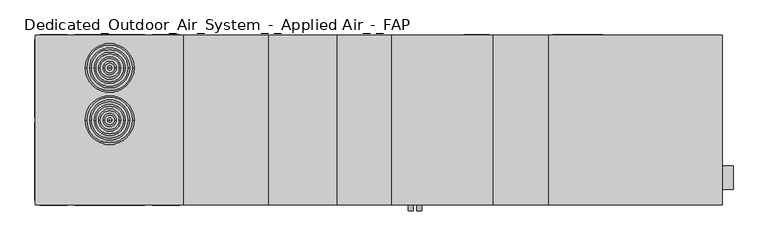
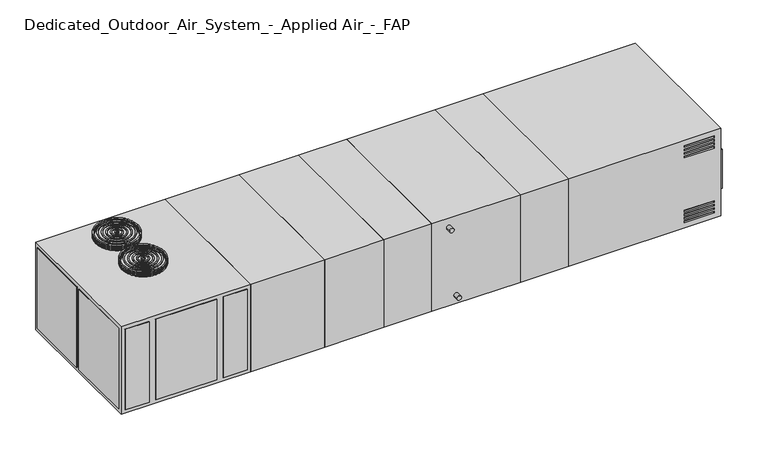
"""IFC4 building model written with IfcOpenShell, lengths in millimetres: proxy geometry, Dedicated_Outdoor_Air_System_-_Applied Air_-_FAP."""

from ifc_helpers import new_model, si_unit, point, frame, frame_2d, origin, origin_with_axes, place, context, project, spatial, polyline, circle_curve, ellipse_curve, trimmed, segment, composite_curve, outline, extrude, faceted_brep, source, transform, mapped, element, save
from ifc_brep_helpers import revolved_surface, advanced_brep


def dedicated_outdoor_air_system_applied_air_fap_6e4f6a05(model_context):
    return source(origin(), model_context, "Body", "SolidModel", [
        faceted_brep([(-660.4, -1016.0, 1270.0), (-660.4, 1016.0, 1270.0), (-1473.2, 1016.0, 1270.0), (-1473.2, -1016.0, 1270.0), (-660.4, -1016.0, 0.0), (-1473.2, -1016.0, 0.0), (-1473.2, 1016.0, 0.0), (-660.4, 1016.0, 0.0), (-1295.4, -863.6, 0.0), (-787.4, -863.6, 0.0), (-787.4, 863.6, 0.0), (-1295.4, 863.6, 0.0), (-1295.4, -863.6, 152.4), (-1295.4, 863.6, 152.4), (-787.4, 863.6, 152.4), (-787.4, -863.6, 152.4)], [[[0, 1, 2, 3]], [[4, 5, 6, 7], [8, 9, 10, 11]], [[1, 0, 4, 7]], [[2, 1, 7, 6]], [[3, 2, 6, 5]], [[0, 3, 5, 4]], [[12, 13, 14, 15]], [[12, 15, 9, 8]], [[15, 14, 10, 9]], [[14, 13, 11, 10]], [[13, 12, 8, 11]]]),
        faceted_brep([(3962.4, -1016.0, 1270.0), (3962.4, 1016.0, 1270.0), (1879.6, 1016.0, 1270.0), (1879.6, -1016.0, 1270.0), (3962.4, -1016.0, 0.0), (1879.6, -1016.0, 0.0), (1879.6, 1016.0, 0.0), (3962.4, 1016.0, 0.0), (3357.5625, 804.8625, 0.0), (3357.5625, -363.5375, 0.0), (3884.6125, -363.5375, 0.0), (3884.6125, 804.8625, 0.0), (3962.4, 804.8625, 698.5), (3962.4, 804.8625, 171.45), (3962.4, -363.5375, 171.45), (3962.4, -363.5375, 698.5), (3463.4714286, -1016.0, 1193.8), (3873.5, -1016.0, 1193.8), (3873.5, -1016.0, 1168.4), (3463.4714286, -1016.0, 1168.4), (3463.4714286, -1016.0, 1143.0), (3873.5, -1016.0, 1143.0), (3873.5, -1016.0, 1117.6), (3463.4714286, -1016.0, 1117.6), (3463.4714286, -1016.0, 1092.2), (3873.5, -1016.0, 1092.2), (3873.5, -1016.0, 1066.8), (3463.4714286, -1016.0, 1066.8), (3463.4714286, -1016.0, 1041.4), (3873.5, -1016.0, 1041.4), (3873.5, -1016.0, 1016.0), (3463.4714286, -1016.0, 1016.0), (3873.5, -1016.0, 101.6), (3873.5, -1016.0, 76.2), (3463.4714286, -1016.0, 76.2), (3463.4714286, -1016.0, 101.6), (3873.5, -1016.0, 152.4), (3873.5, -1016.0, 127.0), (3463.4714286, -1016.0, 127.0), (3463.4714286, -1016.0, 152.4), (3873.5, -1016.0, 203.2), (3873.5, -1016.0, 177.8), (3463.4714286, -1016.0, 177.8), (3463.4714286, -1016.0, 203.2), (3873.5, -1016.0, 254.0), (3873.5, -1016.0, 228.6), (3463.4714286, -1016.0, 228.6), (3463.4714286, -1016.0, 254.0), (3873.5, -990.6, 1193.8), (3463.4714286, -990.6, 1193.8), (3463.4714286, -990.6, 1168.4), (3873.5, -990.6, 1168.4), (3873.5, -990.6, 1143.0), (3463.4714286, -990.6, 1143.0), (3463.4714286, -990.6, 1117.6), (3873.5, -990.6, 1117.6), (3873.5, -990.6, 1092.2), (3463.4714286, -990.6, 1092.2), (3463.4714286, -990.6, 1066.8), (3873.5, -990.6, 1066.8), (3873.5, -990.6, 1041.4), (3463.4714286, -990.6, 1041.4), (3463.4714286, -990.6, 1016.0), (3873.5, -990.6, 1016.0), (3873.5, -990.6, 76.2), (3873.5, -990.6, 101.6), (3463.4714286, -990.6, 101.6), (3463.4714286, -990.6, 76.2), (3873.5, -990.6, 127.0), (3873.5, -990.6, 152.4), (3463.4714286, -990.6, 152.4), (3463.4714286, -990.6, 127.0), (3873.5, -990.6, 177.8), (3873.5, -990.6, 203.2), (3463.4714286, -990.6, 203.2), (3463.4714286, -990.6, 177.8), (3873.5, -990.6, 228.6), (3873.5, -990.6, 254.0), (3463.4714286, -990.6, 254.0), (3463.4714286, -990.6, 228.6), (3810.0, 804.8625, 171.45), (3810.0, 804.8625, 698.5), (3810.0, -363.5375, 698.5), (3810.0, -363.5375, 171.45), (3357.5625, 804.8625, 152.4), (3884.6125, 804.8625, 152.4), (3884.6125, -363.5375, 152.4), (3357.5625, -363.5375, 152.4)], [[[0, 1, 2, 3]], [[4, 5, 6, 7], [8, 9, 10, 11]], [[1, 0, 4, 7], [12, 13, 14, 15]], [[2, 1, 7, 6]], [[3, 2, 6, 5]], [[0, 3, 5, 4], [16, 17, 18, 19], [20, 21, 22, 23], [24, 25, 26, 27], [28, 29, 30, 31], [32, 33, 34, 35], [36, 37, 38, 39], [40, 41, 42, 43], [44, 45, 46, 47]], [[48, 49, 50, 51]], [[52, 53, 54, 55]], [[56, 57, 58, 59]], [[60, 61, 62, 63]], [[64, 65, 66, 67]], [[68, 69, 70, 71]], [[72, 73, 74, 75]], [[76, 77, 78, 79]], [[49, 48, 17, 16]], [[50, 49, 16, 19]], [[51, 50, 19, 18]], [[48, 51, 18, 17]], [[53, 52, 21, 20]], [[54, 53, 20, 23]], [[55, 54, 23, 22]], [[52, 55, 22, 21]], [[57, 56, 25, 24]], [[58, 57, 24, 27]], [[59, 58, 27, 26]], [[56, 59, 26, 25]], [[61, 60, 29, 28]], [[62, 61, 28, 31]], [[63, 62, 31, 30]], [[60, 63, 30, 29]], [[65, 64, 33, 32]], [[66, 65, 32, 35]], [[67, 66, 35, 34]], [[64, 67, 34, 33]], [[69, 68, 37, 36]], [[70, 69, 36, 39]], [[71, 70, 39, 38]], [[68, 71, 38, 37]], [[73, 72, 41, 40]], [[74, 73, 40, 43]], [[75, 74, 43, 42]], [[72, 75, 42, 41]], [[77, 76, 45, 44]], [[78, 77, 44, 47]], [[79, 78, 47, 46]], [[76, 79, 46, 45]], [[80, 81, 82, 83]], [[81, 80, 13, 12]], [[82, 81, 12, 15]], [[83, 82, 15, 14]], [[80, 83, 14, 13]], [[84, 85, 86, 87]], [[84, 87, 9, 8]], [[87, 86, 10, 9]], [[86, 85, 11, 10]], [[85, 84, 8, 11]]]),
        extrude(outline(polyline([(1879.6, 1016.0), (1879.6, -1016.0), (1219.2, -1016.0), (1219.2, 1016.0), (1879.6, 1016.0)])), origin_with_axes(), (0.0, 0.0, 1.0), 1270.0),
        extrude(outline(polyline([(1219.2, -1016.0), (0.0, -1016.0), (0.0, 1016.0), (1219.2, 1016.0), (1219.2, -1016.0)])), origin_with_axes(), (0.0, 0.0, 1.0), 1270.0),
        extrude(outline(polyline([(0.0, 1016.0), (0.0, -1016.0), (-660.4, -1016.0), (-660.4, 1016.0), (0.0, 1016.0)])), origin_with_axes(), (0.0, 0.0, 1.0), 1270.0),
        extrude(outline(polyline([(-1473.2, -1016.0), (-2489.2, -1016.0), (-2489.2, 1016.0), (-1473.2, 1016.0), (-1473.2, -1016.0)])), origin_with_axes(), (0.0, 0.0, 1.0), 1270.0),
        extrude(outline(polyline([(-2489.2, 1016.0), (-2489.2, -1016.0), (-4267.2, -1016.0), (-4267.2, 1016.0), (-2489.2, 1016.0)])), origin_with_axes(), (0.0, 0.0, 1.0), 1270.0),
        extrude(outline(polyline([(-4273.55, -965.2), (-4273.55, -25.4), (-4267.2, -25.4), (-4267.2, -965.2), (-4273.55, -965.2)])), frame((0.0, 0.0, 50.8), z_axis=(0.0, 0.0, 1.0), x_axis=(1.0, 0.0, 0.0)), (0.0, 0.0, 1.0), 1168.4),
        extrude(outline(polyline([(-4273.55, 25.4), (-4273.55, 965.2), (-4267.2, 965.2), (-4267.2, 25.4), (-4273.55, 25.4)])), frame((0.0, 0.0, 50.8), z_axis=(0.0, 0.0, 1.0), x_axis=(1.0, 0.0, 0.0)), (0.0, 0.0, 1.0), 1168.4),
        extrude(outline(polyline([(-3886.2, 1016.0), (-4216.4, 1016.0), (-4216.4, 1022.35), (-3886.2, 1022.35), (-3886.2, 1016.0)])), frame((0.0, 0.0, 50.8), z_axis=(0.0, 0.0, 1.0), x_axis=(1.0, 0.0, 0.0)), (0.0, 0.0, 1.0), 1168.4),
        extrude(outline(polyline([(-2540.0, 1016.0), (-2870.2, 1016.0), (-2870.2, 1022.35), (-2540.0, 1022.35), (-2540.0, 1016.0)])), frame((0.0, 0.0, 50.8), z_axis=(0.0, 0.0, 1.0), x_axis=(1.0, 0.0, 0.0)), (0.0, 0.0, 1.0), 1168.4),
        extrude(outline(polyline([(-2959.1, 1016.0), (-3797.3, 1016.0), (-3797.3, 1022.35), (-2959.1, 1022.35), (-2959.1, 1016.0)])), frame((0.0, 0.0, 50.8), z_axis=(0.0, 0.0, 1.0), x_axis=(1.0, 0.0, 0.0)), (0.0, 0.0, 1.0), 1168.4),
        extrude(outline(polyline([(-4216.4, -1016.0), (-3886.2, -1016.0), (-3886.2, -1022.35), (-4216.4, -1022.35), (-4216.4, -1016.0)])), frame((0.0, 0.0, 50.8), z_axis=(0.0, 0.0, 1.0), x_axis=(1.0, 0.0, 0.0)), (0.0, 0.0, 1.0), 1168.4),
        extrude(outline(polyline([(-2870.2, -1016.0), (-2540.0, -1016.0), (-2540.0, -1022.35), (-2870.2, -1022.35), (-2870.2, -1016.0)])), frame((0.0, 0.0, 50.8), z_axis=(0.0, 0.0, 1.0), x_axis=(1.0, 0.0, 0.0)), (0.0, 0.0, 1.0), 1168.4),
        extrude(outline(polyline([(-3797.3, -1016.0), (-2959.1, -1016.0), (-2959.1, -1022.35), (-3797.3, -1022.35), (-3797.3, -1016.0)])), frame((0.0, 0.0, 50.8), z_axis=(0.0, 0.0, 1.0), x_axis=(1.0, 0.0, 0.0)), (0.0, 0.0, 1.0), 1168.4),
        advanced_brep(
        [(-3654.425, 625.2307692, 1277.9375), (-3101.975, 625.2307692, 1277.9375), (-3086.1, 625.2307692, 1277.9375), (-3670.3, 625.2307692, 1277.9375)],
        [
            (0, 1, circle_curve(frame((-3378.2, 625.2307692, 1277.9375), z_axis=(0.0, 0.0, 1.0), x_axis=(1.0, 0.0, 0.0)), 276.225)),
            (1, 2, circle_curve(frame((-3094.0375, 625.2307692, 1277.9375), z_axis=(0.0, -1.0, 0.0), x_axis=(1.0, 0.0, 0.0)), 7.9375)),
            (2, 3, circle_curve(frame((-3378.2, 625.2307692, 1277.9375), z_axis=(0.0, 0.0, -1.0), x_axis=(1.0, 0.0, 0.0)), 292.1)),
            (3, 0, circle_curve(frame((-3662.3625, 625.2307692, 1277.9375), z_axis=(0.0, -1.0, 0.0), x_axis=(-1.0, 0.0, 0.0)), 7.9375)),
            (1, 0, circle_curve(frame((-3378.2, 625.2307692, 1277.9375), z_axis=(0.0, 0.0, 1.0), x_axis=(1.0, 0.0, 0.0)), 276.225)),
            (3, 2, circle_curve(frame((-3378.2, 625.2307692, 1277.9375), z_axis=(0.0, 0.0, -1.0), x_axis=(1.0, 0.0, 0.0)), 292.1)),
            (2, 1, circle_curve(frame((-3094.0375, 625.2307692, 1277.9375), z_axis=(0.0, -1.0, 0.0), x_axis=(1.0, 0.0, 0.0)), 7.9375)),
            (0, 3, circle_curve(frame((-3662.3625, 625.2307692, 1277.9375), z_axis=(0.0, -1.0, 0.0), x_axis=(-1.0, 0.0, 0.0)), 7.9375)),
        ],
        [
            revolved_surface(trimmed(ellipse_curve(frame((-3094.0375, 625.2307692, 1277.9375), z_axis=(0.0, 1.0, 0.0), x_axis=(1.0, 0.0, 0.0)), 7.9375, 7.9375), [point((-3086.1, 625.2307692, 1277.9375))], [point((-3101.975, 625.2307692, 1277.9375))], True, "CARTESIAN"), (-3378.2, 625.2307692, 1416.05), (0.0, 0.0, -1.0)),
            revolved_surface(trimmed(ellipse_curve(frame((-3094.0375, 625.2307692, 1277.9375), z_axis=(0.0, 1.0, 0.0), x_axis=(1.0, 0.0, 0.0)), 7.9375, 7.9375), [point((-3101.975, 625.2307692, 1277.9375))], [point((-3086.1, 625.2307692, 1277.9375))], True, "CARTESIAN"), (-3378.2, 625.2307692, 1416.05), (0.0, 0.0, -1.0)),
        ],
        [
            (0, [[1, 2, 3, 4]]),
            (0, [[5, -4, 6, -2]]),
            (1, [[-3, 7, -1, 8]]),
            (1, [[-6, -8, -5, -7]]),
        ],
    ),
        advanced_brep(
        [(-3654.425, 625.2307692, 1338.2625), (-3101.975, 625.2307692, 1338.2625), (-3086.1, 625.2307692, 1338.2625), (-3670.3, 625.2307692, 1338.2625)],
        [
            (0, 1, circle_curve(frame((-3378.2, 625.2307692, 1338.2625), z_axis=(0.0, 0.0, 1.0), x_axis=(1.0, 0.0, 0.0)), 276.225)),
            (1, 2, circle_curve(frame((-3094.0375, 625.2307692, 1338.2625), z_axis=(0.0, -1.0, 0.0), x_axis=(1.0, 0.0, 0.0)), 7.9375)),
            (2, 3, circle_curve(frame((-3378.2, 625.2307692, 1338.2625), z_axis=(0.0, 0.0, -1.0), x_axis=(1.0, 0.0, 0.0)), 292.1)),
            (3, 0, circle_curve(frame((-3662.3625, 625.2307692, 1338.2625), z_axis=(0.0, -1.0, 0.0), x_axis=(-1.0, 0.0, 0.0)), 7.9375)),
            (1, 0, circle_curve(frame((-3378.2, 625.2307692, 1338.2625), z_axis=(0.0, 0.0, 1.0), x_axis=(1.0, 0.0, 0.0)), 276.225)),
            (3, 2, circle_curve(frame((-3378.2, 625.2307692, 1338.2625), z_axis=(0.0, 0.0, -1.0), x_axis=(1.0, 0.0, 0.0)), 292.1)),
            (2, 1, circle_curve(frame((-3094.0375, 625.2307692, 1338.2625), z_axis=(0.0, -1.0, 0.0), x_axis=(1.0, 0.0, 0.0)), 7.9375)),
            (0, 3, circle_curve(frame((-3662.3625, 625.2307692, 1338.2625), z_axis=(0.0, -1.0, 0.0), x_axis=(-1.0, 0.0, 0.0)), 7.9375)),
        ],
        [
            revolved_surface(trimmed(ellipse_curve(frame((-3094.0375, 625.2307692, 1338.2625), z_axis=(0.0, 1.0, 0.0), x_axis=(1.0, 0.0, 0.0)), 7.9375, 7.9375), [point((-3086.1, 625.2307692, 1338.2625))], [point((-3101.975, 625.2307692, 1338.2625))], True, "CARTESIAN"), (-3378.2, 625.2307692, 1416.05), (0.0, 0.0, -1.0)),
            revolved_surface(trimmed(ellipse_curve(frame((-3094.0375, 625.2307692, 1338.2625), z_axis=(0.0, 1.0, 0.0), x_axis=(1.0, 0.0, 0.0)), 7.9375, 7.9375), [point((-3101.975, 625.2307692, 1338.2625))], [point((-3086.1, 625.2307692, 1338.2625))], True, "CARTESIAN"), (-3378.2, 625.2307692, 1416.05), (0.0, 0.0, -1.0)),
        ],
        [
            (0, [[1, 2, 3, 4]]),
            (0, [[5, -4, 6, -2]]),
            (1, [[-3, 7, -1, 8]]),
            (1, [[-6, -8, -5, -7]]),
        ],
    ),
        advanced_brep(
        [(-3654.425, 625.2307692, 1298.0750755), (-3101.975, 625.2307692, 1298.0750755), (-3086.1, 625.2307692, 1298.0750755), (-3670.3, 625.2307692, 1298.0750755)],
        [
            (0, 1, circle_curve(frame((-3378.2, 625.2307692, 1298.0750755), z_axis=(0.0, 0.0, 1.0), x_axis=(1.0, 0.0, 0.0)), 276.225)),
            (1, 2, circle_curve(frame((-3094.0375, 625.2307692, 1298.0750755), z_axis=(0.0, -1.0, 0.0), x_axis=(1.0, 0.0, 0.0)), 7.9375)),
            (2, 3, circle_curve(frame((-3378.2, 625.2307692, 1298.0750755), z_axis=(0.0, 0.0, -1.0), x_axis=(1.0, 0.0, 0.0)), 292.1)),
            (3, 0, circle_curve(frame((-3662.3625, 625.2307692, 1298.0750755), z_axis=(0.0, -1.0, 0.0), x_axis=(-1.0, 0.0, 0.0)), 7.9375)),
            (1, 0, circle_curve(frame((-3378.2, 625.2307692, 1298.0750755), z_axis=(0.0, 0.0, 1.0), x_axis=(1.0, 0.0, 0.0)), 276.225)),
            (3, 2, circle_curve(frame((-3378.2, 625.2307692, 1298.0750755), z_axis=(0.0, 0.0, -1.0), x_axis=(1.0, 0.0, 0.0)), 292.1)),
            (2, 1, circle_curve(frame((-3094.0375, 625.2307692, 1298.0750755), z_axis=(0.0, -1.0, 0.0), x_axis=(1.0, 0.0, 0.0)), 7.9375)),
            (0, 3, circle_curve(frame((-3662.3625, 625.2307692, 1298.0750755), z_axis=(0.0, -1.0, 0.0), x_axis=(-1.0, 0.0, 0.0)), 7.9375)),
        ],
        [
            revolved_surface(trimmed(ellipse_curve(frame((-3094.0375, 625.2307692, 1298.0750755), z_axis=(0.0, 1.0, 0.0), x_axis=(1.0, 0.0, 0.0)), 7.9375, 7.9375), [point((-3086.1, 625.2307692, 1298.0750755))], [point((-3101.975, 625.2307692, 1298.0750755))], True, "CARTESIAN"), (-3378.2, 625.2307692, 1416.05), (0.0, 0.0, -1.0)),
            revolved_surface(trimmed(ellipse_curve(frame((-3094.0375, 625.2307692, 1298.0750755), z_axis=(0.0, 1.0, 0.0), x_axis=(1.0, 0.0, 0.0)), 7.9375, 7.9375), [point((-3101.975, 625.2307692, 1298.0750755))], [point((-3086.1, 625.2307692, 1298.0750755))], True, "CARTESIAN"), (-3378.2, 625.2307692, 1416.05), (0.0, 0.0, -1.0)),
        ],
        [
            (0, [[1, 2, 3, 4]]),
            (0, [[5, -4, 6, -2]]),
            (1, [[-3, 7, -1, 8]]),
            (1, [[-6, -8, -5, -7]]),
        ],
    ),
        advanced_brep(
        [(-3654.425, 625.2307692, 1318.1249245), (-3101.975, 625.2307692, 1318.1249245), (-3086.1, 625.2307692, 1318.1249245), (-3670.3, 625.2307692, 1318.1249245)],
        [
            (0, 1, circle_curve(frame((-3378.2, 625.2307692, 1318.1249245), z_axis=(0.0, 0.0, 1.0), x_axis=(1.0, 0.0, 0.0)), 276.225)),
            (1, 2, circle_curve(frame((-3094.0375, 625.2307692, 1318.1249245), z_axis=(0.0, -1.0, 0.0), x_axis=(1.0, 0.0, 0.0)), 7.9375)),
            (2, 3, circle_curve(frame((-3378.2, 625.2307692, 1318.1249245), z_axis=(0.0, 0.0, -1.0), x_axis=(1.0, 0.0, 0.0)), 292.1)),
            (3, 0, circle_curve(frame((-3662.3625, 625.2307692, 1318.1249245), z_axis=(0.0, -1.0, 0.0), x_axis=(-1.0, 0.0, 0.0)), 7.9375)),
            (1, 0, circle_curve(frame((-3378.2, 625.2307692, 1318.1249245), z_axis=(0.0, 0.0, 1.0), x_axis=(1.0, 0.0, 0.0)), 276.225)),
            (3, 2, circle_curve(frame((-3378.2, 625.2307692, 1318.1249245), z_axis=(0.0, 0.0, -1.0), x_axis=(1.0, 0.0, 0.0)), 292.1)),
            (2, 1, circle_curve(frame((-3094.0375, 625.2307692, 1318.1249245), z_axis=(0.0, -1.0, 0.0), x_axis=(1.0, 0.0, 0.0)), 7.9375)),
            (0, 3, circle_curve(frame((-3662.3625, 625.2307692, 1318.1249245), z_axis=(0.0, -1.0, 0.0), x_axis=(-1.0, 0.0, 0.0)), 7.9375)),
        ],
        [
            revolved_surface(trimmed(ellipse_curve(frame((-3094.0375, 625.2307692, 1318.1249245), z_axis=(0.0, 1.0, 0.0), x_axis=(1.0, 0.0, 0.0)), 7.9375, 7.9375), [point((-3086.1, 625.2307692, 1318.1249245))], [point((-3101.975, 625.2307692, 1318.1249245))], True, "CARTESIAN"), (-3378.2, 625.2307692, 1416.05), (0.0, 0.0, -1.0)),
            revolved_surface(trimmed(ellipse_curve(frame((-3094.0375, 625.2307692, 1318.1249245), z_axis=(0.0, 1.0, 0.0), x_axis=(1.0, 0.0, 0.0)), 7.9375, 7.9375), [point((-3101.975, 625.2307692, 1318.1249245))], [point((-3086.1, 625.2307692, 1318.1249245))], True, "CARTESIAN"), (-3378.2, 625.2307692, 1416.05), (0.0, 0.0, -1.0)),
        ],
        [
            (0, [[1, 2, 3, 4]]),
            (0, [[5, -4, 6, -2]]),
            (1, [[-3, 7, -1, 8]]),
            (1, [[-6, -8, -5, -7]]),
        ],
    ),
        advanced_brep(
        [(-3387.725, 625.2307692, 1338.2625), (-3368.675, 625.2307692, 1338.2625), (-3352.8, 625.2307692, 1338.2625), (-3403.6, 625.2307692, 1338.2625)],
        [
            (0, 1, circle_curve(frame((-3378.2, 625.2307692, 1338.2625), z_axis=(0.0, 0.0, 1.0), x_axis=(1.0, 0.0, 0.0)), 9.525)),
            (1, 2, circle_curve(frame((-3360.7375, 625.2307692, 1338.2625), z_axis=(0.0, -1.0, 0.0), x_axis=(1.0, 0.0, 0.0)), 7.9375)),
            (2, 3, circle_curve(frame((-3378.2, 625.2307692, 1338.2625), z_axis=(0.0, 0.0, -1.0), x_axis=(1.0, 0.0, 0.0)), 25.4)),
            (3, 0, circle_curve(frame((-3395.6625, 625.2307692, 1338.2625), z_axis=(0.0, -1.0, 0.0), x_axis=(-1.0, 0.0, 0.0)), 7.9375)),
            (1, 0, circle_curve(frame((-3378.2, 625.2307692, 1338.2625), z_axis=(0.0, 0.0, 1.0), x_axis=(1.0, 0.0, 0.0)), 9.525)),
            (3, 2, circle_curve(frame((-3378.2, 625.2307692, 1338.2625), z_axis=(0.0, 0.0, -1.0), x_axis=(1.0, 0.0, 0.0)), 25.4)),
            (2, 1, circle_curve(frame((-3360.7375, 625.2307692, 1338.2625), z_axis=(0.0, -1.0, 0.0), x_axis=(1.0, 0.0, 0.0)), 7.9375)),
            (0, 3, circle_curve(frame((-3395.6625, 625.2307692, 1338.2625), z_axis=(0.0, -1.0, 0.0), x_axis=(-1.0, 0.0, 0.0)), 7.9375)),
        ],
        [
            revolved_surface(trimmed(ellipse_curve(frame((-3360.7375, 625.2307692, 1338.2625), z_axis=(0.0, 1.0, 0.0), x_axis=(1.0, 0.0, 0.0)), 7.9375, 7.9375), [point((-3352.8, 625.2307692, 1338.2625))], [point((-3368.675, 625.2307692, 1338.2625))], True, "CARTESIAN"), (-3378.2, 625.2307692, 1416.05), (0.0, 0.0, -1.0)),
            revolved_surface(trimmed(ellipse_curve(frame((-3360.7375, 625.2307692, 1338.2625), z_axis=(0.0, 1.0, 0.0), x_axis=(1.0, 0.0, 0.0)), 7.9375, 7.9375), [point((-3368.675, 625.2307692, 1338.2625))], [point((-3352.8, 625.2307692, 1338.2625))], True, "CARTESIAN"), (-3378.2, 625.2307692, 1416.05), (0.0, 0.0, -1.0)),
        ],
        [
            (0, [[1, 2, 3, 4]]),
            (0, [[5, -4, 6, -2]]),
            (1, [[-3, 7, -1, 8]]),
            (1, [[-6, -8, -5, -7]]),
        ],
    ),
        advanced_brep(
        [(-3441.065, 625.2307692, 1338.2625), (-3315.335, 625.2307692, 1338.2625), (-3299.46, 625.2307692, 1338.2625), (-3456.94, 625.2307692, 1338.2625)],
        [
            (0, 1, circle_curve(frame((-3378.2, 625.2307692, 1338.2625), z_axis=(0.0, 0.0, 1.0), x_axis=(1.0, 0.0, 0.0)), 62.865)),
            (1, 2, circle_curve(frame((-3307.3975, 625.2307692, 1338.2625), z_axis=(0.0, -1.0, 0.0), x_axis=(1.0, 0.0, 0.0)), 7.9375)),
            (2, 3, circle_curve(frame((-3378.2, 625.2307692, 1338.2625), z_axis=(0.0, 0.0, -1.0), x_axis=(1.0, 0.0, 0.0)), 78.74)),
            (3, 0, circle_curve(frame((-3449.0025, 625.2307692, 1338.2625), z_axis=(0.0, -1.0, 0.0), x_axis=(-1.0, 0.0, 0.0)), 7.9375)),
            (1, 0, circle_curve(frame((-3378.2, 625.2307692, 1338.2625), z_axis=(0.0, 0.0, 1.0), x_axis=(1.0, 0.0, 0.0)), 62.865)),
            (3, 2, circle_curve(frame((-3378.2, 625.2307692, 1338.2625), z_axis=(0.0, 0.0, -1.0), x_axis=(1.0, 0.0, 0.0)), 78.74)),
            (2, 1, circle_curve(frame((-3307.3975, 625.2307692, 1338.2625), z_axis=(0.0, -1.0, 0.0), x_axis=(1.0, 0.0, 0.0)), 7.9375)),
            (0, 3, circle_curve(frame((-3449.0025, 625.2307692, 1338.2625), z_axis=(0.0, -1.0, 0.0), x_axis=(-1.0, 0.0, 0.0)), 7.9375)),
        ],
        [
            revolved_surface(trimmed(ellipse_curve(frame((-3307.3975, 625.2307692, 1338.2625), z_axis=(0.0, 1.0, 0.0), x_axis=(1.0, 0.0, 0.0)), 7.9375, 7.9375), [point((-3299.46, 625.2307692, 1338.2625))], [point((-3315.335, 625.2307692, 1338.2625))], True, "CARTESIAN"), (-3378.2, 625.2307692, 1416.05), (0.0, 0.0, -1.0)),
            revolved_surface(trimmed(ellipse_curve(frame((-3307.3975, 625.2307692, 1338.2625), z_axis=(0.0, 1.0, 0.0), x_axis=(1.0, 0.0, 0.0)), 7.9375, 7.9375), [point((-3315.335, 625.2307692, 1338.2625))], [point((-3299.46, 625.2307692, 1338.2625))], True, "CARTESIAN"), (-3378.2, 625.2307692, 1416.05), (0.0, 0.0, -1.0)),
        ],
        [
            (0, [[1, 2, 3, 4]]),
            (0, [[5, -4, 6, -2]]),
            (1, [[-3, 7, -1, 8]]),
            (1, [[-6, -8, -5, -7]]),
        ],
    ),
        advanced_brep(
        [(-3494.405, 625.2307692, 1338.2625), (-3261.995, 625.2307692, 1338.2625), (-3246.12, 625.2307692, 1338.2625), (-3510.28, 625.2307692, 1338.2625)],
        [
            (0, 1, circle_curve(frame((-3378.2, 625.2307692, 1338.2625), z_axis=(0.0, 0.0, 1.0), x_axis=(1.0, 0.0, 0.0)), 116.205)),
            (1, 2, circle_curve(frame((-3254.0575, 625.2307692, 1338.2625), z_axis=(0.0, -1.0, 0.0), x_axis=(1.0, 0.0, 0.0)), 7.9375)),
            (2, 3, circle_curve(frame((-3378.2, 625.2307692, 1338.2625), z_axis=(0.0, 0.0, -1.0), x_axis=(1.0, 0.0, 0.0)), 132.08)),
            (3, 0, circle_curve(frame((-3502.3425, 625.2307692, 1338.2625), z_axis=(0.0, -1.0, 0.0), x_axis=(-1.0, 0.0, 0.0)), 7.9375)),
            (1, 0, circle_curve(frame((-3378.2, 625.2307692, 1338.2625), z_axis=(0.0, 0.0, 1.0), x_axis=(1.0, 0.0, 0.0)), 116.205)),
            (3, 2, circle_curve(frame((-3378.2, 625.2307692, 1338.2625), z_axis=(0.0, 0.0, -1.0), x_axis=(1.0, 0.0, 0.0)), 132.08)),
            (2, 1, circle_curve(frame((-3254.0575, 625.2307692, 1338.2625), z_axis=(0.0, -1.0, 0.0), x_axis=(1.0, 0.0, 0.0)), 7.9375)),
            (0, 3, circle_curve(frame((-3502.3425, 625.2307692, 1338.2625), z_axis=(0.0, -1.0, 0.0), x_axis=(-1.0, 0.0, 0.0)), 7.9375)),
        ],
        [
            revolved_surface(trimmed(ellipse_curve(frame((-3254.0575, 625.2307692, 1338.2625), z_axis=(0.0, 1.0, 0.0), x_axis=(1.0, 0.0, 0.0)), 7.9375, 7.9375), [point((-3246.12, 625.2307692, 1338.2625))], [point((-3261.995, 625.2307692, 1338.2625))], True, "CARTESIAN"), (-3378.2, 625.2307692, 1416.05), (0.0, 0.0, -1.0)),
            revolved_surface(trimmed(ellipse_curve(frame((-3254.0575, 625.2307692, 1338.2625), z_axis=(0.0, 1.0, 0.0), x_axis=(1.0, 0.0, 0.0)), 7.9375, 7.9375), [point((-3261.995, 625.2307692, 1338.2625))], [point((-3246.12, 625.2307692, 1338.2625))], True, "CARTESIAN"), (-3378.2, 625.2307692, 1416.05), (0.0, 0.0, -1.0)),
        ],
        [
            (0, [[1, 2, 3, 4]]),
            (0, [[5, -4, 6, -2]]),
            (1, [[-3, 7, -1, 8]]),
            (1, [[-6, -8, -5, -7]]),
        ],
    ),
        advanced_brep(
        [(-3547.745, 625.2307692, 1338.2625), (-3208.655, 625.2307692, 1338.2625), (-3192.78, 625.2307692, 1338.2625), (-3563.62, 625.2307692, 1338.2625)],
        [
            (0, 1, circle_curve(frame((-3378.2, 625.2307692, 1338.2625), z_axis=(0.0, 0.0, 1.0), x_axis=(1.0, 0.0, 0.0)), 169.545)),
            (1, 2, circle_curve(frame((-3200.7175, 625.2307692, 1338.2625), z_axis=(0.0, -1.0, 0.0), x_axis=(1.0, 0.0, 0.0)), 7.9375)),
            (2, 3, circle_curve(frame((-3378.2, 625.2307692, 1338.2625), z_axis=(0.0, 0.0, -1.0), x_axis=(1.0, 0.0, 0.0)), 185.42)),
            (3, 0, circle_curve(frame((-3555.6825, 625.2307692, 1338.2625), z_axis=(0.0, -1.0, 0.0), x_axis=(-1.0, 0.0, 0.0)), 7.9375)),
            (1, 0, circle_curve(frame((-3378.2, 625.2307692, 1338.2625), z_axis=(0.0, 0.0, 1.0), x_axis=(1.0, 0.0, 0.0)), 169.545)),
            (3, 2, circle_curve(frame((-3378.2, 625.2307692, 1338.2625), z_axis=(0.0, 0.0, -1.0), x_axis=(1.0, 0.0, 0.0)), 185.42)),
            (2, 1, circle_curve(frame((-3200.7175, 625.2307692, 1338.2625), z_axis=(0.0, -1.0, 0.0), x_axis=(1.0, 0.0, 0.0)), 7.9375)),
            (0, 3, circle_curve(frame((-3555.6825, 625.2307692, 1338.2625), z_axis=(0.0, -1.0, 0.0), x_axis=(-1.0, 0.0, 0.0)), 7.9375)),
        ],
        [
            revolved_surface(trimmed(ellipse_curve(frame((-3200.7175, 625.2307692, 1338.2625), z_axis=(0.0, 1.0, 0.0), x_axis=(1.0, 0.0, 0.0)), 7.9375, 7.9375), [point((-3192.78, 625.2307692, 1338.2625))], [point((-3208.655, 625.2307692, 1338.2625))], True, "CARTESIAN"), (-3378.2, 625.2307692, 1416.05), (0.0, 0.0, -1.0)),
            revolved_surface(trimmed(ellipse_curve(frame((-3200.7175, 625.2307692, 1338.2625), z_axis=(0.0, 1.0, 0.0), x_axis=(1.0, 0.0, 0.0)), 7.9375, 7.9375), [point((-3208.655, 625.2307692, 1338.2625))], [point((-3192.78, 625.2307692, 1338.2625))], True, "CARTESIAN"), (-3378.2, 625.2307692, 1416.05), (0.0, 0.0, -1.0)),
        ],
        [
            (0, [[1, 2, 3, 4]]),
            (0, [[5, -4, 6, -2]]),
            (1, [[-3, 7, -1, 8]]),
            (1, [[-6, -8, -5, -7]]),
        ],
    ),
        advanced_brep(
        [(-3601.085, 625.2307692, 1338.2625), (-3155.315, 625.2307692, 1338.2625), (-3139.44, 625.2307692, 1338.2625), (-3616.96, 625.2307692, 1338.2625)],
        [
            (0, 1, circle_curve(frame((-3378.2, 625.2307692, 1338.2625), z_axis=(0.0, 0.0, 1.0), x_axis=(1.0, 0.0, 0.0)), 222.885)),
            (1, 2, circle_curve(frame((-3147.3775, 625.2307692, 1338.2625), z_axis=(0.0, -1.0, 0.0), x_axis=(1.0, 0.0, 0.0)), 7.9375)),
            (2, 3, circle_curve(frame((-3378.2, 625.2307692, 1338.2625), z_axis=(0.0, 0.0, -1.0), x_axis=(1.0, 0.0, 0.0)), 238.76)),
            (3, 0, circle_curve(frame((-3609.0225, 625.2307692, 1338.2625), z_axis=(0.0, -1.0, 0.0), x_axis=(-1.0, 0.0, 0.0)), 7.9375)),
            (1, 0, circle_curve(frame((-3378.2, 625.2307692, 1338.2625), z_axis=(0.0, 0.0, 1.0), x_axis=(1.0, 0.0, 0.0)), 222.885)),
            (3, 2, circle_curve(frame((-3378.2, 625.2307692, 1338.2625), z_axis=(0.0, 0.0, -1.0), x_axis=(1.0, 0.0, 0.0)), 238.76)),
            (2, 1, circle_curve(frame((-3147.3775, 625.2307692, 1338.2625), z_axis=(0.0, -1.0, 0.0), x_axis=(1.0, 0.0, 0.0)), 7.9375)),
            (0, 3, circle_curve(frame((-3609.0225, 625.2307692, 1338.2625), z_axis=(0.0, -1.0, 0.0), x_axis=(-1.0, 0.0, 0.0)), 7.9375)),
        ],
        [
            revolved_surface(trimmed(ellipse_curve(frame((-3147.3775, 625.2307692, 1338.2625), z_axis=(0.0, 1.0, 0.0), x_axis=(1.0, 0.0, 0.0)), 7.9375, 7.9375), [point((-3139.44, 625.2307692, 1338.2625))], [point((-3155.315, 625.2307692, 1338.2625))], True, "CARTESIAN"), (-3378.2, 625.2307692, 1416.05), (0.0, 0.0, -1.0)),
            revolved_surface(trimmed(ellipse_curve(frame((-3147.3775, 625.2307692, 1338.2625), z_axis=(0.0, 1.0, 0.0), x_axis=(1.0, 0.0, 0.0)), 7.9375, 7.9375), [point((-3155.315, 625.2307692, 1338.2625))], [point((-3139.44, 625.2307692, 1338.2625))], True, "CARTESIAN"), (-3378.2, 625.2307692, 1416.05), (0.0, 0.0, -1.0)),
        ],
        [
            (0, [[1, 2, 3, 4]]),
            (0, [[5, -4, 6, -2]]),
            (1, [[-3, 7, -1, 8]]),
            (1, [[-6, -8, -5, -7]]),
        ],
    ),
        advanced_brep(
        [(-3670.3, 0.0, 1277.9375), (-3086.1, 0.0, 1277.9375), (-3101.975, 0.0, 1277.9375), (-3654.425, 0.0, 1277.9375)],
        [
            (0, 1, circle_curve(frame((-3378.2, 0.0, 1277.9375), z_axis=(0.0, 0.0, -1.0), x_axis=(1.0, 0.0, 0.0)), 292.1)),
            (1, 2, circle_curve(frame((-3094.0375, 0.0, 1277.9375), z_axis=(0.0, 1.0, 0.0), x_axis=(1.0, 0.0, 0.0)), 7.9375)),
            (2, 3, circle_curve(frame((-3378.2, 0.0, 1277.9375), z_axis=(0.0, 0.0, 1.0), x_axis=(1.0, 0.0, 0.0)), 276.225)),
            (3, 0, circle_curve(frame((-3662.3625, 0.0, 1277.9375), z_axis=(0.0, 1.0, 0.0), x_axis=(-1.0, 0.0, 0.0)), 7.9375)),
            (1, 0, circle_curve(frame((-3378.2, 0.0, 1277.9375), z_axis=(0.0, 0.0, -1.0), x_axis=(1.0, 0.0, 0.0)), 292.1)),
            (3, 2, circle_curve(frame((-3378.2, 0.0, 1277.9375), z_axis=(0.0, 0.0, 1.0), x_axis=(1.0, 0.0, 0.0)), 276.225)),
            (2, 1, circle_curve(frame((-3094.0375, 0.0, 1277.9375), z_axis=(0.0, 1.0, 0.0), x_axis=(1.0, 0.0, 0.0)), 7.9375)),
            (0, 3, circle_curve(frame((-3662.3625, 0.0, 1277.9375), z_axis=(0.0, 1.0, 0.0), x_axis=(-1.0, 0.0, 0.0)), 7.9375)),
        ],
        [
            revolved_surface(trimmed(ellipse_curve(frame((-3094.0375, 0.0, 1277.9375), z_axis=(0.0, -1.0, 0.0), x_axis=(1.0, 0.0, 0.0)), 7.9375, 7.9375), [point((-3101.975, 0.0, 1277.9375))], [point((-3086.1, 0.0, 1277.9375))], True, "CARTESIAN"), (-3378.2, 0.0, 1416.05), (0.0, 0.0, 1.0)),
            revolved_surface(trimmed(ellipse_curve(frame((-3094.0375, 0.0, 1277.9375), z_axis=(0.0, -1.0, 0.0), x_axis=(1.0, 0.0, 0.0)), 7.9375, 7.9375), [point((-3086.1, 0.0, 1277.9375))], [point((-3101.975, 0.0, 1277.9375))], True, "CARTESIAN"), (-3378.2, 0.0, 1416.05), (0.0, 0.0, 1.0)),
        ],
        [
            (0, [[1, 2, 3, 4]]),
            (0, [[5, -4, 6, -2]]),
            (1, [[-3, 7, -1, 8]]),
            (1, [[-6, -8, -5, -7]]),
        ],
    ),
        advanced_brep(
        [(-3670.3, 0.0, 1338.2625), (-3086.1, 0.0, 1338.2625), (-3101.975, 0.0, 1338.2625), (-3654.425, 0.0, 1338.2625)],
        [
            (0, 1, circle_curve(frame((-3378.2, 0.0, 1338.2625), z_axis=(0.0, 0.0, -1.0), x_axis=(1.0, 0.0, 0.0)), 292.1)),
            (1, 2, circle_curve(frame((-3094.0375, 0.0, 1338.2625), z_axis=(0.0, 1.0, 0.0), x_axis=(1.0, 0.0, 0.0)), 7.9375)),
            (2, 3, circle_curve(frame((-3378.2, 0.0, 1338.2625), z_axis=(0.0, 0.0, 1.0), x_axis=(1.0, 0.0, 0.0)), 276.225)),
            (3, 0, circle_curve(frame((-3662.3625, 0.0, 1338.2625), z_axis=(0.0, 1.0, 0.0), x_axis=(-1.0, 0.0, 0.0)), 7.9375)),
            (1, 0, circle_curve(frame((-3378.2, 0.0, 1338.2625), z_axis=(0.0, 0.0, -1.0), x_axis=(1.0, 0.0, 0.0)), 292.1)),
            (3, 2, circle_curve(frame((-3378.2, 0.0, 1338.2625), z_axis=(0.0, 0.0, 1.0), x_axis=(1.0, 0.0, 0.0)), 276.225)),
            (2, 1, circle_curve(frame((-3094.0375, 0.0, 1338.2625), z_axis=(0.0, 1.0, 0.0), x_axis=(1.0, 0.0, 0.0)), 7.9375)),
            (0, 3, circle_curve(frame((-3662.3625, 0.0, 1338.2625), z_axis=(0.0, 1.0, 0.0), x_axis=(-1.0, 0.0, 0.0)), 7.9375)),
        ],
        [
            revolved_surface(trimmed(ellipse_curve(frame((-3094.0375, 0.0, 1338.2625), z_axis=(0.0, -1.0, 0.0), x_axis=(1.0, 0.0, 0.0)), 7.9375, 7.9375), [point((-3101.975, 0.0, 1338.2625))], [point((-3086.1, 0.0, 1338.2625))], True, "CARTESIAN"), (-3378.2, 0.0, 1416.05), (0.0, 0.0, 1.0)),
            revolved_surface(trimmed(ellipse_curve(frame((-3094.0375, 0.0, 1338.2625), z_axis=(0.0, -1.0, 0.0), x_axis=(1.0, 0.0, 0.0)), 7.9375, 7.9375), [point((-3086.1, 0.0, 1338.2625))], [point((-3101.975, 0.0, 1338.2625))], True, "CARTESIAN"), (-3378.2, 0.0, 1416.05), (0.0, 0.0, 1.0)),
        ],
        [
            (0, [[1, 2, 3, 4]]),
            (0, [[5, -4, 6, -2]]),
            (1, [[-3, 7, -1, 8]]),
            (1, [[-6, -8, -5, -7]]),
        ],
    ),
        advanced_brep(
        [(-3670.3, 0.0, 1298.0750755), (-3086.1, 0.0, 1298.0750755), (-3101.975, 0.0, 1298.0750755), (-3654.425, 0.0, 1298.0750755)],
        [
            (0, 1, circle_curve(frame((-3378.2, 0.0, 1298.0750755), z_axis=(0.0, 0.0, -1.0), x_axis=(1.0, 0.0, 0.0)), 292.1)),
            (1, 2, circle_curve(frame((-3094.0375, 0.0, 1298.0750755), z_axis=(0.0, 1.0, 0.0), x_axis=(1.0, 0.0, 0.0)), 7.9375)),
            (2, 3, circle_curve(frame((-3378.2, 0.0, 1298.0750755), z_axis=(0.0, 0.0, 1.0), x_axis=(1.0, 0.0, 0.0)), 276.225)),
            (3, 0, circle_curve(frame((-3662.3625, 0.0, 1298.0750755), z_axis=(0.0, 1.0, 0.0), x_axis=(-1.0, 0.0, 0.0)), 7.9375)),
            (1, 0, circle_curve(frame((-3378.2, 0.0, 1298.0750755), z_axis=(0.0, 0.0, -1.0), x_axis=(1.0, 0.0, 0.0)), 292.1)),
            (3, 2, circle_curve(frame((-3378.2, 0.0, 1298.0750755), z_axis=(0.0, 0.0, 1.0), x_axis=(1.0, 0.0, 0.0)), 276.225)),
            (2, 1, circle_curve(frame((-3094.0375, 0.0, 1298.0750755), z_axis=(0.0, 1.0, 0.0), x_axis=(1.0, 0.0, 0.0)), 7.9375)),
            (0, 3, circle_curve(frame((-3662.3625, 0.0, 1298.0750755), z_axis=(0.0, 1.0, 0.0), x_axis=(-1.0, 0.0, 0.0)), 7.9375)),
        ],
        [
            revolved_surface(trimmed(ellipse_curve(frame((-3094.0375, 0.0, 1298.0750755), z_axis=(0.0, -1.0, 0.0), x_axis=(1.0, 0.0, 0.0)), 7.9375, 7.9375), [point((-3101.975, 0.0, 1298.0750755))], [point((-3086.1, 0.0, 1298.0750755))], True, "CARTESIAN"), (-3378.2, 0.0, 1416.05), (0.0, 0.0, 1.0)),
            revolved_surface(trimmed(ellipse_curve(frame((-3094.0375, 0.0, 1298.0750755), z_axis=(0.0, -1.0, 0.0), x_axis=(1.0, 0.0, 0.0)), 7.9375, 7.9375), [point((-3086.1, 0.0, 1298.0750755))], [point((-3101.975, 0.0, 1298.0750755))], True, "CARTESIAN"), (-3378.2, 0.0, 1416.05), (0.0, 0.0, 1.0)),
        ],
        [
            (0, [[1, 2, 3, 4]]),
            (0, [[5, -4, 6, -2]]),
            (1, [[-3, 7, -1, 8]]),
            (1, [[-6, -8, -5, -7]]),
        ],
    ),
        advanced_brep(
        [(-3670.3, 0.0, 1318.1249245), (-3086.1, 0.0, 1318.1249245), (-3101.975, 0.0, 1318.1249245), (-3654.425, 0.0, 1318.1249245)],
        [
            (0, 1, circle_curve(frame((-3378.2, 0.0, 1318.1249245), z_axis=(0.0, 0.0, -1.0), x_axis=(1.0, 0.0, 0.0)), 292.1)),
            (1, 2, circle_curve(frame((-3094.0375, 0.0, 1318.1249245), z_axis=(0.0, 1.0, 0.0), x_axis=(1.0, 0.0, 0.0)), 7.9375)),
            (2, 3, circle_curve(frame((-3378.2, 0.0, 1318.1249245), z_axis=(0.0, 0.0, 1.0), x_axis=(1.0, 0.0, 0.0)), 276.225)),
            (3, 0, circle_curve(frame((-3662.3625, 0.0, 1318.1249245), z_axis=(0.0, 1.0, 0.0), x_axis=(-1.0, 0.0, 0.0)), 7.9375)),
            (1, 0, circle_curve(frame((-3378.2, 0.0, 1318.1249245), z_axis=(0.0, 0.0, -1.0), x_axis=(1.0, 0.0, 0.0)), 292.1)),
            (3, 2, circle_curve(frame((-3378.2, 0.0, 1318.1249245), z_axis=(0.0, 0.0, 1.0), x_axis=(1.0, 0.0, 0.0)), 276.225)),
            (2, 1, circle_curve(frame((-3094.0375, 0.0, 1318.1249245), z_axis=(0.0, 1.0, 0.0), x_axis=(1.0, 0.0, 0.0)), 7.9375)),
            (0, 3, circle_curve(frame((-3662.3625, 0.0, 1318.1249245), z_axis=(0.0, 1.0, 0.0), x_axis=(-1.0, 0.0, 0.0)), 7.9375)),
        ],
        [
            revolved_surface(trimmed(ellipse_curve(frame((-3094.0375, 0.0, 1318.1249245), z_axis=(0.0, -1.0, 0.0), x_axis=(1.0, 0.0, 0.0)), 7.9375, 7.9375), [point((-3101.975, 0.0, 1318.1249245))], [point((-3086.1, 0.0, 1318.1249245))], True, "CARTESIAN"), (-3378.2, 0.0, 1416.05), (0.0, 0.0, 1.0)),
            revolved_surface(trimmed(ellipse_curve(frame((-3094.0375, 0.0, 1318.1249245), z_axis=(0.0, -1.0, 0.0), x_axis=(1.0, 0.0, 0.0)), 7.9375, 7.9375), [point((-3086.1, 0.0, 1318.1249245))], [point((-3101.975, 0.0, 1318.1249245))], True, "CARTESIAN"), (-3378.2, 0.0, 1416.05), (0.0, 0.0, 1.0)),
        ],
        [
            (0, [[1, 2, 3, 4]]),
            (0, [[5, -4, 6, -2]]),
            (1, [[-3, 7, -1, 8]]),
            (1, [[-6, -8, -5, -7]]),
        ],
    ),
        advanced_brep(
        [(-3403.6, 0.0, 1338.2625), (-3352.8, 0.0, 1338.2625), (-3368.675, 0.0, 1338.2625), (-3387.725, 0.0, 1338.2625)],
        [
            (0, 1, circle_curve(frame((-3378.2, 0.0, 1338.2625), z_axis=(0.0, 0.0, -1.0), x_axis=(1.0, 0.0, 0.0)), 25.4)),
            (1, 2, circle_curve(frame((-3360.7375, 0.0, 1338.2625), z_axis=(0.0, 1.0, 0.0), x_axis=(1.0, 0.0, 0.0)), 7.9375)),
            (2, 3, circle_curve(frame((-3378.2, 0.0, 1338.2625), z_axis=(0.0, 0.0, 1.0), x_axis=(1.0, 0.0, 0.0)), 9.525)),
            (3, 0, circle_curve(frame((-3395.6625, 0.0, 1338.2625), z_axis=(0.0, 1.0, 0.0), x_axis=(-1.0, 0.0, 0.0)), 7.9375)),
            (1, 0, circle_curve(frame((-3378.2, 0.0, 1338.2625), z_axis=(0.0, 0.0, -1.0), x_axis=(1.0, 0.0, 0.0)), 25.4)),
            (3, 2, circle_curve(frame((-3378.2, 0.0, 1338.2625), z_axis=(0.0, 0.0, 1.0), x_axis=(1.0, 0.0, 0.0)), 9.525)),
            (2, 1, circle_curve(frame((-3360.7375, 0.0, 1338.2625), z_axis=(0.0, 1.0, 0.0), x_axis=(1.0, 0.0, 0.0)), 7.9375)),
            (0, 3, circle_curve(frame((-3395.6625, 0.0, 1338.2625), z_axis=(0.0, 1.0, 0.0), x_axis=(-1.0, 0.0, 0.0)), 7.9375)),
        ],
        [
            revolved_surface(trimmed(ellipse_curve(frame((-3360.7375, 0.0, 1338.2625), z_axis=(0.0, -1.0, 0.0), x_axis=(1.0, 0.0, 0.0)), 7.9375, 7.9375), [point((-3368.675, 0.0, 1338.2625))], [point((-3352.8, 0.0, 1338.2625))], True, "CARTESIAN"), (-3378.2, 0.0, 1416.05), (0.0, 0.0, 1.0)),
            revolved_surface(trimmed(ellipse_curve(frame((-3360.7375, 0.0, 1338.2625), z_axis=(0.0, -1.0, 0.0), x_axis=(1.0, 0.0, 0.0)), 7.9375, 7.9375), [point((-3352.8, 0.0, 1338.2625))], [point((-3368.675, 0.0, 1338.2625))], True, "CARTESIAN"), (-3378.2, 0.0, 1416.05), (0.0, 0.0, 1.0)),
        ],
        [
            (0, [[1, 2, 3, 4]]),
            (0, [[5, -4, 6, -2]]),
            (1, [[-3, 7, -1, 8]]),
            (1, [[-6, -8, -5, -7]]),
        ],
    ),
        advanced_brep(
        [(-3456.94, 0.0, 1338.2625), (-3299.46, 0.0, 1338.2625), (-3315.335, 0.0, 1338.2625), (-3441.065, 0.0, 1338.2625)],
        [
            (0, 1, circle_curve(frame((-3378.2, 0.0, 1338.2625), z_axis=(0.0, 0.0, -1.0), x_axis=(1.0, 0.0, 0.0)), 78.74)),
            (1, 2, circle_curve(frame((-3307.3975, 0.0, 1338.2625), z_axis=(0.0, 1.0, 0.0), x_axis=(1.0, 0.0, 0.0)), 7.9375)),
            (2, 3, circle_curve(frame((-3378.2, 0.0, 1338.2625), z_axis=(0.0, 0.0, 1.0), x_axis=(1.0, 0.0, 0.0)), 62.865)),
            (3, 0, circle_curve(frame((-3449.0025, 0.0, 1338.2625), z_axis=(0.0, 1.0, 0.0), x_axis=(-1.0, 0.0, 0.0)), 7.9375)),
            (1, 0, circle_curve(frame((-3378.2, 0.0, 1338.2625), z_axis=(0.0, 0.0, -1.0), x_axis=(1.0, 0.0, 0.0)), 78.74)),
            (3, 2, circle_curve(frame((-3378.2, 0.0, 1338.2625), z_axis=(0.0, 0.0, 1.0), x_axis=(1.0, 0.0, 0.0)), 62.865)),
            (2, 1, circle_curve(frame((-3307.3975, 0.0, 1338.2625), z_axis=(0.0, 1.0, 0.0), x_axis=(1.0, 0.0, 0.0)), 7.9375)),
            (0, 3, circle_curve(frame((-3449.0025, 0.0, 1338.2625), z_axis=(0.0, 1.0, 0.0), x_axis=(-1.0, 0.0, 0.0)), 7.9375)),
        ],
        [
            revolved_surface(trimmed(ellipse_curve(frame((-3307.3975, 0.0, 1338.2625), z_axis=(0.0, -1.0, 0.0), x_axis=(1.0, 0.0, 0.0)), 7.9375, 7.9375), [point((-3315.335, 0.0, 1338.2625))], [point((-3299.46, 0.0, 1338.2625))], True, "CARTESIAN"), (-3378.2, 0.0, 1416.05), (0.0, 0.0, 1.0)),
            revolved_surface(trimmed(ellipse_curve(frame((-3307.3975, 0.0, 1338.2625), z_axis=(0.0, -1.0, 0.0), x_axis=(1.0, 0.0, 0.0)), 7.9375, 7.9375), [point((-3299.46, 0.0, 1338.2625))], [point((-3315.335, 0.0, 1338.2625))], True, "CARTESIAN"), (-3378.2, 0.0, 1416.05), (0.0, 0.0, 1.0)),
        ],
        [
            (0, [[1, 2, 3, 4]]),
            (0, [[5, -4, 6, -2]]),
            (1, [[-3, 7, -1, 8]]),
            (1, [[-6, -8, -5, -7]]),
        ],
    ),
        advanced_brep(
        [(-3510.28, 0.0, 1338.2625), (-3246.12, 0.0, 1338.2625), (-3261.995, 0.0, 1338.2625), (-3494.405, 0.0, 1338.2625)],
        [
            (0, 1, circle_curve(frame((-3378.2, 0.0, 1338.2625), z_axis=(0.0, 0.0, -1.0), x_axis=(1.0, 0.0, 0.0)), 132.08)),
            (1, 2, circle_curve(frame((-3254.0575, 0.0, 1338.2625), z_axis=(0.0, 1.0, 0.0), x_axis=(1.0, 0.0, 0.0)), 7.9375)),
            (2, 3, circle_curve(frame((-3378.2, 0.0, 1338.2625), z_axis=(0.0, 0.0, 1.0), x_axis=(1.0, 0.0, 0.0)), 116.205)),
            (3, 0, circle_curve(frame((-3502.3425, 0.0, 1338.2625), z_axis=(0.0, 1.0, 0.0), x_axis=(-1.0, 0.0, 0.0)), 7.9375)),
            (1, 0, circle_curve(frame((-3378.2, 0.0, 1338.2625), z_axis=(0.0, 0.0, -1.0), x_axis=(1.0, 0.0, 0.0)), 132.08)),
            (3, 2, circle_curve(frame((-3378.2, 0.0, 1338.2625), z_axis=(0.0, 0.0, 1.0), x_axis=(1.0, 0.0, 0.0)), 116.205)),
            (2, 1, circle_curve(frame((-3254.0575, 0.0, 1338.2625), z_axis=(0.0, 1.0, 0.0), x_axis=(1.0, 0.0, 0.0)), 7.9375)),
            (0, 3, circle_curve(frame((-3502.3425, 0.0, 1338.2625), z_axis=(0.0, 1.0, 0.0), x_axis=(-1.0, 0.0, 0.0)), 7.9375)),
        ],
        [
            revolved_surface(trimmed(ellipse_curve(frame((-3254.0575, 0.0, 1338.2625), z_axis=(0.0, -1.0, 0.0), x_axis=(1.0, 0.0, 0.0)), 7.9375, 7.9375), [point((-3261.995, 0.0, 1338.2625))], [point((-3246.12, 0.0, 1338.2625))], True, "CARTESIAN"), (-3378.2, 0.0, 1416.05), (0.0, 0.0, 1.0)),
            revolved_surface(trimmed(ellipse_curve(frame((-3254.0575, 0.0, 1338.2625), z_axis=(0.0, -1.0, 0.0), x_axis=(1.0, 0.0, 0.0)), 7.9375, 7.9375), [point((-3246.12, 0.0, 1338.2625))], [point((-3261.995, 0.0, 1338.2625))], True, "CARTESIAN"), (-3378.2, 0.0, 1416.05), (0.0, 0.0, 1.0)),
        ],
        [
            (0, [[1, 2, 3, 4]]),
            (0, [[5, -4, 6, -2]]),
            (1, [[-3, 7, -1, 8]]),
            (1, [[-6, -8, -5, -7]]),
        ],
    ),
        advanced_brep(
        [(-3563.62, 0.0, 1338.2625), (-3192.78, 0.0, 1338.2625), (-3208.655, 0.0, 1338.2625), (-3547.745, 0.0, 1338.2625)],
        [
            (0, 1, circle_curve(frame((-3378.2, 0.0, 1338.2625), z_axis=(0.0, 0.0, -1.0), x_axis=(1.0, 0.0, 0.0)), 185.42)),
            (1, 2, circle_curve(frame((-3200.7175, 0.0, 1338.2625), z_axis=(0.0, 1.0, 0.0), x_axis=(1.0, 0.0, 0.0)), 7.9375)),
            (2, 3, circle_curve(frame((-3378.2, 0.0, 1338.2625), z_axis=(0.0, 0.0, 1.0), x_axis=(1.0, 0.0, 0.0)), 169.545)),
            (3, 0, circle_curve(frame((-3555.6825, 0.0, 1338.2625), z_axis=(0.0, 1.0, 0.0), x_axis=(-1.0, 0.0, 0.0)), 7.9375)),
            (1, 0, circle_curve(frame((-3378.2, 0.0, 1338.2625), z_axis=(0.0, 0.0, -1.0), x_axis=(1.0, 0.0, 0.0)), 185.42)),
            (3, 2, circle_curve(frame((-3378.2, 0.0, 1338.2625), z_axis=(0.0, 0.0, 1.0), x_axis=(1.0, 0.0, 0.0)), 169.545)),
            (2, 1, circle_curve(frame((-3200.7175, 0.0, 1338.2625), z_axis=(0.0, 1.0, 0.0), x_axis=(1.0, 0.0, 0.0)), 7.9375)),
            (0, 3, circle_curve(frame((-3555.6825, 0.0, 1338.2625), z_axis=(0.0, 1.0, 0.0), x_axis=(-1.0, 0.0, 0.0)), 7.9375)),
        ],
        [
            revolved_surface(trimmed(ellipse_curve(frame((-3200.7175, 0.0, 1338.2625), z_axis=(0.0, -1.0, 0.0), x_axis=(1.0, 0.0, 0.0)), 7.9375, 7.9375), [point((-3208.655, 0.0, 1338.2625))], [point((-3192.78, 0.0, 1338.2625))], True, "CARTESIAN"), (-3378.2, 0.0, 1416.05), (0.0, 0.0, 1.0)),
            revolved_surface(trimmed(ellipse_curve(frame((-3200.7175, 0.0, 1338.2625), z_axis=(0.0, -1.0, 0.0), x_axis=(1.0, 0.0, 0.0)), 7.9375, 7.9375), [point((-3192.78, 0.0, 1338.2625))], [point((-3208.655, 0.0, 1338.2625))], True, "CARTESIAN"), (-3378.2, 0.0, 1416.05), (0.0, 0.0, 1.0)),
        ],
        [
            (0, [[1, 2, 3, 4]]),
            (0, [[5, -4, 6, -2]]),
            (1, [[-3, 7, -1, 8]]),
            (1, [[-6, -8, -5, -7]]),
        ],
    ),
        advanced_brep(
        [(-3616.96, 0.0, 1338.2625), (-3139.44, 0.0, 1338.2625), (-3155.315, 0.0, 1338.2625), (-3601.085, 0.0, 1338.2625)],
        [
            (0, 1, circle_curve(frame((-3378.2, 0.0, 1338.2625), z_axis=(0.0, 0.0, -1.0), x_axis=(1.0, 0.0, 0.0)), 238.76)),
            (1, 2, circle_curve(frame((-3147.3775, 0.0, 1338.2625), z_axis=(0.0, 1.0, 0.0), x_axis=(1.0, 0.0, 0.0)), 7.9375)),
            (2, 3, circle_curve(frame((-3378.2, 0.0, 1338.2625), z_axis=(0.0, 0.0, 1.0), x_axis=(1.0, 0.0, 0.0)), 222.885)),
            (3, 0, circle_curve(frame((-3609.0225, 0.0, 1338.2625), z_axis=(0.0, 1.0, 0.0), x_axis=(-1.0, 0.0, 0.0)), 7.9375)),
            (1, 0, circle_curve(frame((-3378.2, 0.0, 1338.2625), z_axis=(0.0, 0.0, -1.0), x_axis=(1.0, 0.0, 0.0)), 238.76)),
            (3, 2, circle_curve(frame((-3378.2, 0.0, 1338.2625), z_axis=(0.0, 0.0, 1.0), x_axis=(1.0, 0.0, 0.0)), 222.885)),
            (2, 1, circle_curve(frame((-3147.3775, 0.0, 1338.2625), z_axis=(0.0, 1.0, 0.0), x_axis=(1.0, 0.0, 0.0)), 7.9375)),
            (0, 3, circle_curve(frame((-3609.0225, 0.0, 1338.2625), z_axis=(0.0, 1.0, 0.0), x_axis=(-1.0, 0.0, 0.0)), 7.9375)),
        ],
        [
            revolved_surface(trimmed(ellipse_curve(frame((-3147.3775, 0.0, 1338.2625), z_axis=(0.0, -1.0, 0.0), x_axis=(1.0, 0.0, 0.0)), 7.9375, 7.9375), [point((-3155.315, 0.0, 1338.2625))], [point((-3139.44, 0.0, 1338.2625))], True, "CARTESIAN"), (-3378.2, 0.0, 1416.05), (0.0, 0.0, 1.0)),
            revolved_surface(trimmed(ellipse_curve(frame((-3147.3775, 0.0, 1338.2625), z_axis=(0.0, -1.0, 0.0), x_axis=(1.0, 0.0, 0.0)), 7.9375, 7.9375), [point((-3139.44, 0.0, 1338.2625))], [point((-3155.315, 0.0, 1338.2625))], True, "CARTESIAN"), (-3378.2, 0.0, 1416.05), (0.0, 0.0, 1.0)),
        ],
        [
            (0, [[1, 2, 3, 4]]),
            (0, [[5, -4, 6, -2]]),
            (1, [[-3, 7, -1, 8]]),
            (1, [[-6, -8, -5, -7]]),
        ],
    ),
        extrude(outline(polyline([(3962.4, -829.46875), (3962.4, -550.06875), (4089.4, -550.06875), (4089.4, -829.46875), (3962.4, -829.46875)])), frame((0.0, 0.0, 241.3), z_axis=(0.0, 0.0, 1.0), x_axis=(1.0, 0.0, 0.0)), (0.0, 0.0, 1.0), 571.5),
        extrude(outline(polyline([(1168.4, 1016.0), (863.6, 1016.0), (863.6, 1022.35), (1168.4, 1022.35), (1168.4, 1016.0)])), frame((0.0, 0.0, 76.2), z_axis=(0.0, 0.0, 1.0), x_axis=(1.0, 0.0, 0.0)), (0.0, 0.0, 1.0), 1117.6),
        extrude(outline(polyline([(2525.4857143, 1016.0), (1930.4, 1016.0), (1930.4, 1022.35), (2525.4857143, 1022.35), (2525.4857143, 1016.0)])), frame((0.0, 0.0, 76.2), z_axis=(0.0, 0.0, 1.0), x_axis=(1.0, 0.0, 0.0)), (0.0, 0.0, 1.0), 1117.6),
        extrude(outline(composite_curve([segment(trimmed(circle_curve(frame_2d((127.0, 330.2)), 31.75), [point((127.0, 298.45))], [point((127.0, 361.95))], False, "CARTESIAN"), True, "CONTINUOUS"), segment(trimmed(circle_curve(frame_2d((127.0, 330.2)), 31.75), [point((127.0, 361.95))], [point((127.0, 298.45))], False, "CARTESIAN"), True, "CONTINUOUS")], self_intersect=False)), frame((0.0, -1092.2, 0.0), z_axis=(0.0, 1.0, 0.0), x_axis=(0.0, 0.0, 1.0)), (0.0, 0.0, 1.0), 76.2),
        extrude(outline(composite_curve([segment(trimmed(circle_curve(frame_2d((1143.0, 228.6)), 31.75), [point((1143.0, 196.85))], [point((1143.0, 260.35))], False, "CARTESIAN"), True, "CONTINUOUS"), segment(trimmed(circle_curve(frame_2d((1143.0, 228.6)), 31.75), [point((1143.0, 260.35))], [point((1143.0, 196.85))], False, "CARTESIAN"), True, "CONTINUOUS")], self_intersect=False)), frame((0.0, -1092.2, 0.0), z_axis=(0.0, 1.0, 0.0), x_axis=(0.0, 0.0, 1.0)), (0.0, 0.0, 1.0), 76.2),
    ])


if __name__ == "__main__":
    model = new_model("IFC4")
    model_context = context("Model", 3, world=origin())
    ifc_project = project(units=[si_unit("LENGTHUNIT", "METRE", prefix="MILLI")], contexts=[model_context])
    site = spatial("IfcSite", under=ifc_project)
    building = spatial("IfcBuilding", under=site)
    placement = place(None, origin())
    dedicated_outdoor_air_system_applied_air_fap_shape = dedicated_outdoor_air_system_applied_air_fap_6e4f6a05(model_context)
    element("IfcBuildingElementProxy", 1, Name="Dedicated_Outdoor_Air_System_-_Applied Air_-_FAP", ObjectType="Dedicated_Outdoor_Air_System_-_Applied Air_-_FAP", at=placement, inside=building, context=model_context, shape_type="MappedRepresentation", body=[
        mapped(dedicated_outdoor_air_system_applied_air_fap_shape, transform((0.0, 0.0, 0.0), x_axis=(1.0, 0.0, 0.0), y_axis=(0.0, 1.0, 0.0), z_axis=(0.0, 0.0, 1.0))),
    ])
    save(model, "model.ifc")
